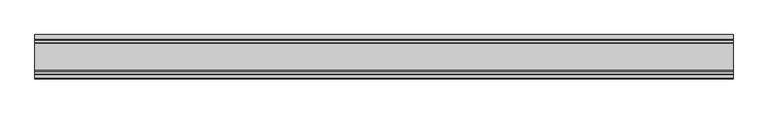
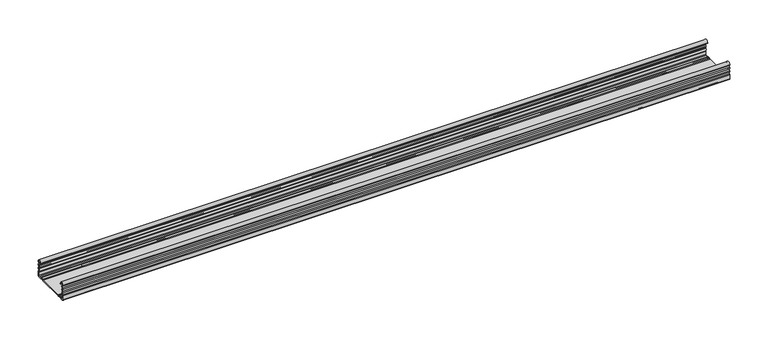
"""IFC4 building model written with IfcOpenShell, lengths in millimetres: proxy geometry."""

from ifc_helpers import new_model, si_unit, point, frame, frame_2d, origin, place, context, project, spatial, polyline, circle_curve, trimmed, segment, composite_curve, outline, extrude, source, transform, mapped, element, save


def generic_models_665626f2(model_context):
    return source(origin(), model_context, "Body", "SweptSolid", [
        extrude(outline(composite_curve([segment(polyline([(19.9828611, 0.0), (-20.0175714, 0.0)]), True, "CONTINUOUS"), segment(trimmed(circle_curve(frame_2d((-20.0175714, 1.8)), 1.8), [point((-20.0175714, 0.0))], [point((-21.3373532, 0.576))], False, "CARTESIAN"), True, "CONTINUOUS"), segment(trimmed(circle_curve(frame_2d((-22.7671168, -0.75)), 1.95), [point((-21.3373532, 0.576))], [point((-24.1968804, 0.576))], True, "CARTESIAN"), True, "CONTINUOUS"), segment(trimmed(circle_curve(frame_2d((-25.5166622, 1.8)), 1.8), [point((-24.1968804, 0.576))], [point((-25.5166622, 0.0))], False, "CARTESIAN"), True, "CONTINUOUS"), segment(polyline([(-25.5166622, 0.0), (-30.8347103, 0.0)]), True, "CONTINUOUS"), segment(trimmed(circle_curve(frame_2d((-30.8347103, 1.2)), 1.2), [point((-30.8347103, 0.0))], [point((-32.0347103, 1.2))], False, "CARTESIAN"), True, "CONTINUOUS"), segment(polyline([(-32.0347103, 1.2), (-32.0347103, 7.6415603)]), True, "CONTINUOUS"), segment(trimmed(circle_curve(frame_2d((-30.2347103, 7.6415603)), 1.8), [point((-32.0347103, 7.6415603))], [point((-31.4587103, 8.9613421))], False, "CARTESIAN"), True, "CONTINUOUS"), segment(trimmed(circle_curve(frame_2d((-32.7847103, 10.3911057)), 1.95), [point((-31.4587103, 8.9613421))], [point((-31.4587103, 11.8208693))], True, "CARTESIAN"), True, "CONTINUOUS"), segment(trimmed(circle_curve(frame_2d((-30.2347103, 13.1406511)), 1.8), [point((-31.4587103, 11.8208693))], [point((-31.7200441, 14.1574026))], False, "CARTESIAN"), True, "CONTINUOUS"), segment(trimmed(circle_curve(frame_2d((-32.7847103, 15.7911057)), 1.95), [point((-31.7200441, 14.1574026))], [point((-31.7200441, 17.4248088))], True, "CARTESIAN"), True, "CONTINUOUS"), segment(trimmed(circle_curve(frame_2d((-30.2347103, 18.4415603)), 1.8), [point((-31.7200441, 17.4248088))], [point((-31.4587103, 19.7613421))], False, "CARTESIAN"), True, "CONTINUOUS"), segment(trimmed(circle_curve(frame_2d((-32.7847103, 21.1911057)), 1.95), [point((-31.4587103, 19.7613421))], [point((-31.4587103, 22.6208693))], True, "CARTESIAN"), True, "CONTINUOUS"), segment(trimmed(circle_curve(frame_2d((-30.2347103, 23.9406511)), 1.8), [point((-31.4587103, 22.6208693))], [point((-32.0337754, 23.8826448))], False, "CARTESIAN"), True, "CONTINUOUS"), segment(trimmed(circle_curve(frame_2d((-28.9164203, 23.8826448)), 3.1173552), [point((-32.0337754, 23.8826448))], [point((-25.7990651, 23.8826448))], False, "CARTESIAN"), True, "CONTINUOUS"), segment(polyline([(-25.7990651, 23.8826448), (-25.7990651, 23.0407729), (-26.9990651, 23.0407729), (-26.9990651, 23.8826448)]), True, "CONTINUOUS"), segment(trimmed(circle_curve(frame_2d((-28.9164203, 23.8826448)), 1.9173552), [point((-26.9990651, 23.8826448))], [point((-30.7861491, 24.3073386))], True, "CARTESIAN"), True, "CONTINUOUS"), segment(trimmed(circle_curve(frame_2d((-29.8109887, 24.0858388)), 1.0), [point((-30.7861491, 24.3073386))], [point((-30.5275481, 23.3883128))], True, "CARTESIAN"), True, "CONTINUOUS"), segment(trimmed(circle_curve(frame_2d((-32.7847103, 21.1911057)), 3.15), [point((-30.5275481, 23.3883128))], [point((-30.392542, 19.1417081))], False, "CARTESIAN"), True, "CONTINUOUS"), segment(trimmed(circle_curve(frame_2d((-29.6331234, 18.4911057)), 1.0), [point((-30.392542, 19.1417081))], [point((-30.392542, 17.8405033))], True, "CARTESIAN"), True, "CONTINUOUS"), segment(trimmed(circle_curve(frame_2d((-32.7847103, 15.7911057)), 3.15), [point((-30.392542, 17.8405033))], [point((-30.392542, 13.7417081))], False, "CARTESIAN"), True, "CONTINUOUS"), segment(trimmed(circle_curve(frame_2d((-29.6331234, 13.0911057)), 1.0), [point((-30.392542, 13.7417081))], [point((-30.392542, 12.4405033))], True, "CARTESIAN"), True, "CONTINUOUS"), segment(trimmed(circle_curve(frame_2d((-32.7847103, 10.3911057)), 3.15), [point((-30.392542, 12.4405033))], [point((-30.3686909, 8.3698808))], False, "CARTESIAN"), True, "CONTINUOUS"), segment(trimmed(circle_curve(frame_2d((-28.8347103, 7.0865634)), 2.0), [point((-30.3686909, 8.3698808))], [point((-30.8347103, 7.0865634))], True, "CARTESIAN"), True, "CONTINUOUS"), segment(polyline([(-30.8347103, 7.0865634), (-30.8347103, 2.4)]), True, "CONTINUOUS"), segment(trimmed(circle_curve(frame_2d((-29.6347103, 2.4)), 1.2), [point((-30.8347103, 2.4))], [point((-29.6347103, 1.2))], True, "CARTESIAN"), True, "CONTINUOUS"), segment(polyline([(-29.6347103, 1.2), (-26.4167743, 1.2)]), True, "CONTINUOUS"), segment(trimmed(circle_curve(frame_2d((-26.4167743, 4.2)), 3.0), [point((-26.4167743, 1.2))], [point((-24.6364536, 1.7853659))], True, "CARTESIAN"), True, "CONTINUOUS"), segment(trimmed(circle_curve(frame_2d((-22.7671168, -0.75)), 3.15), [point((-24.6364536, 1.7853659))], [point((-20.89778, 1.7853659))], False, "CARTESIAN"), True, "CONTINUOUS"), segment(trimmed(circle_curve(frame_2d((-19.1174593, 4.2)), 3.0), [point((-20.89778, 1.7853659))], [point((-19.1174593, 1.2))], True, "CARTESIAN"), True, "CONTINUOUS"), segment(polyline([(-19.1174593, 1.2), (19.082749, 1.2)]), True, "CONTINUOUS"), segment(trimmed(circle_curve(frame_2d((19.082749, 4.2)), 3.0), [point((19.082749, 1.2))], [point((20.8630697, 1.7853659))], True, "CARTESIAN"), True, "CONTINUOUS"), segment(trimmed(circle_curve(frame_2d((22.7324065, -0.75)), 3.15), [point((20.8630697, 1.7853659))], [point((24.6017433, 1.7853659))], False, "CARTESIAN"), True, "CONTINUOUS"), segment(trimmed(circle_curve(frame_2d((26.382064, 4.2)), 3.0), [point((24.6017433, 1.7853659))], [point((26.382064, 1.2))], True, "CARTESIAN"), True, "CONTINUOUS"), segment(polyline([(26.382064, 1.2), (29.6182196, 1.2)]), True, "CONTINUOUS"), segment(trimmed(circle_curve(frame_2d((29.6182196, 2.3817804)), 1.1817804), [point((29.6182196, 1.2))], [point((30.8, 2.3817804))], True, "CARTESIAN"), True, "CONTINUOUS"), segment(polyline([(30.8, 2.3817804), (30.8, 7.0865634)]), True, "CONTINUOUS"), segment(trimmed(circle_curve(frame_2d((28.8, 7.0865634)), 2.0), [point((30.8, 7.0865634))], [point((30.3339806, 8.3698808))], True, "CARTESIAN"), True, "CONTINUOUS"), segment(trimmed(circle_curve(frame_2d((32.75, 10.3911057)), 3.15), [point((30.3339806, 8.3698808))], [point((30.3578316, 12.4405033))], False, "CARTESIAN"), True, "CONTINUOUS"), segment(trimmed(circle_curve(frame_2d((29.5984131, 13.0911057)), 1.0), [point((30.3578316, 12.4405033))], [point((30.3578316, 13.7417081))], True, "CARTESIAN"), True, "CONTINUOUS"), segment(trimmed(circle_curve(frame_2d((32.75, 15.7911057)), 3.15), [point((30.3578316, 13.7417081))], [point((30.3578316, 17.8405033))], False, "CARTESIAN"), True, "CONTINUOUS"), segment(trimmed(circle_curve(frame_2d((29.5984131, 18.4911057)), 1.0), [point((30.3578316, 17.8405033))], [point((30.3578316, 19.1417081))], True, "CARTESIAN"), True, "CONTINUOUS"), segment(trimmed(circle_curve(frame_2d((32.75, 21.1911057)), 3.15), [point((30.3578316, 19.1417081))], [point((30.4928378, 23.3883128))], False, "CARTESIAN"), True, "CONTINUOUS"), segment(trimmed(circle_curve(frame_2d((29.7762784, 24.0858388)), 1.0), [point((30.4928378, 23.3883128))], [point((30.7514388, 24.3073386))], True, "CARTESIAN"), True, "CONTINUOUS"), segment(trimmed(circle_curve(frame_2d((28.8817099, 23.8826448)), 1.9173552), [point((30.7514388, 24.3073386))], [point((26.9643548, 23.8826448))], True, "CARTESIAN"), True, "CONTINUOUS"), segment(polyline([(26.9643548, 23.8826448), (26.9643548, 23.0407729), (25.7643548, 23.0407729), (25.7643548, 23.8826448)]), True, "CONTINUOUS"), segment(trimmed(circle_curve(frame_2d((28.8817099, 23.8826448)), 3.1173552), [point((25.7643548, 23.8826448))], [point((31.9990651, 23.8826448))], False, "CARTESIAN"), True, "CONTINUOUS"), segment(trimmed(circle_curve(frame_2d((30.2, 23.9406511)), 1.8), [point((31.9990651, 23.8826448))], [point((31.424, 22.6208693))], False, "CARTESIAN"), True, "CONTINUOUS"), segment(trimmed(circle_curve(frame_2d((32.75, 21.1911057)), 1.95), [point((31.424, 22.6208693))], [point((31.424, 19.7613421))], True, "CARTESIAN"), True, "CONTINUOUS"), segment(trimmed(circle_curve(frame_2d((30.2, 18.4415603)), 1.8), [point((31.424, 19.7613421))], [point((31.6853338, 17.4248088))], False, "CARTESIAN"), True, "CONTINUOUS"), segment(trimmed(circle_curve(frame_2d((32.75, 15.7911057)), 1.95), [point((31.6853338, 17.4248088))], [point((31.6853338, 14.1574026))], True, "CARTESIAN"), True, "CONTINUOUS"), segment(trimmed(circle_curve(frame_2d((30.2, 13.1406511)), 1.8), [point((31.6853338, 14.1574026))], [point((31.424, 11.8208693))], False, "CARTESIAN"), True, "CONTINUOUS"), segment(trimmed(circle_curve(frame_2d((32.75, 10.3911057)), 1.95), [point((31.424, 11.8208693))], [point((31.424, 8.9613421))], True, "CARTESIAN"), True, "CONTINUOUS"), segment(trimmed(circle_curve(frame_2d((30.2, 7.6415603)), 1.8), [point((31.424, 8.9613421))], [point((32.0, 7.6415603))], False, "CARTESIAN"), True, "CONTINUOUS"), segment(polyline([(32.0, 7.6415603), (32.0, 1.2)]), True, "CONTINUOUS"), segment(trimmed(circle_curve(frame_2d((30.8, 1.2)), 1.2), [point((32.0, 1.2))], [point((30.8, 0.0))], False, "CARTESIAN"), True, "CONTINUOUS"), segment(polyline([(30.8, 0.0), (25.4819519, 0.0)]), True, "CONTINUOUS"), segment(trimmed(circle_curve(frame_2d((25.4819519, 1.8)), 1.8), [point((25.4819519, 0.0))], [point((24.1621701, 0.576))], False, "CARTESIAN"), True, "CONTINUOUS"), segment(trimmed(circle_curve(frame_2d((22.7324065, -0.75)), 1.95), [point((24.1621701, 0.576))], [point((21.3026429, 0.576))], True, "CARTESIAN"), True, "CONTINUOUS"), segment(trimmed(circle_curve(frame_2d((19.9828611, 1.8)), 1.8), [point((21.3026429, 0.576))], [point((19.9828611, 0.0))], False, "CARTESIAN"), True, "CONTINUOUS")], self_intersect=False)), frame((-502.1889991, 0.0, 0.0), z_axis=(1.0, 0.0, 0.0), x_axis=(0.0, 1.0, 0.0)), (0.0, 0.0, 1.0), 1004.3779982),
    ])


if __name__ == "__main__":
    model = new_model("IFC4")
    model_context = context("Model", 3, world=origin())
    ifc_project = project(units=[si_unit("LENGTHUNIT", "METRE", prefix="MILLI")], contexts=[model_context])
    site = spatial("IfcSite", under=ifc_project)
    building = spatial("IfcBuilding", under=site)
    placement = place(None, origin())
    generic_models_shape = generic_models_665626f2(model_context)
    element("IfcBuildingElementProxy", 1, Name="Generic Models", at=placement, inside=building, context=model_context, shape_type="MappedRepresentation", body=[
        mapped(generic_models_shape, transform((0.0, 0.0, 0.0), x_axis=(1.0, 0.0, 0.0), y_axis=(0.0, 1.0, 0.0), z_axis=(0.0, 0.0, 1.0))),
    ])
    save(model, "model.ifc")
